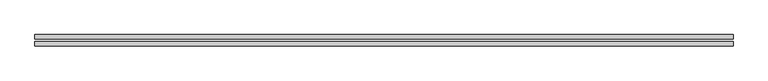
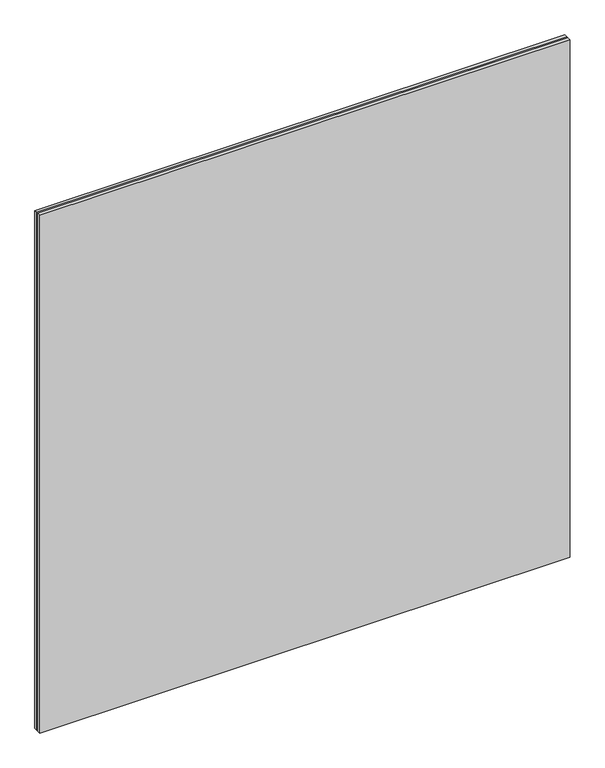
"""IFC4 building model written with IfcOpenShell, lengths in millimetres: plate geometry."""

from ifc_helpers import new_model, si_unit, origin, origin_with_axes, place, context, project, spatial, polyline, outline, extrude, source, transform, mapped, element, save


def plate_dd2cab94(model_context):
    return source(origin(), model_context, "Body", "SweptSolid", [
        extrude(outline(polyline([(627.75, -2.0), (627.75, -10.0), (-627.75, -10.0), (-627.75, -2.0), (627.75, -2.0)])), origin_with_axes(), (0.0, 0.0, 1.0), 1295.5),
        extrude(outline(polyline([(627.75, 2.0), (-627.75, 2.0), (-627.75, 10.0), (627.75, 10.0), (627.75, 2.0)])), origin_with_axes(), (0.0, 0.0, 1.0), 1295.5),
    ])


if __name__ == "__main__":
    model = new_model("IFC4")
    model_context = context("Model", 3, world=origin())
    ifc_project = project(units=[si_unit("LENGTHUNIT", "METRE", prefix="MILLI")], contexts=[model_context])
    site = spatial("IfcSite", under=ifc_project)
    building = spatial("IfcBuilding", under=site)
    placement = place(None, origin())
    plate_shape = plate_dd2cab94(model_context)
    element("IfcPlate", 1, at=placement, inside=building, context=model_context, shape_type="MappedRepresentation", body=[
        mapped(plate_shape, transform((0.0, 0.0, 0.0), x_axis=(1.0, 0.0, 0.0), y_axis=(0.0, 1.0, 0.0), z_axis=(0.0, 0.0, 1.0))),
    ])
    save(model, "model.ifc")
